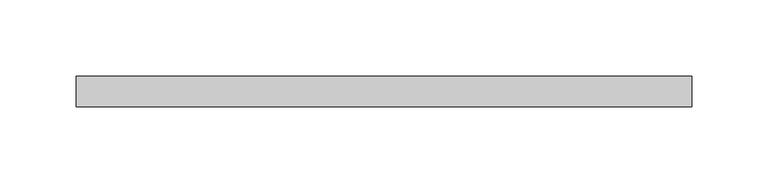
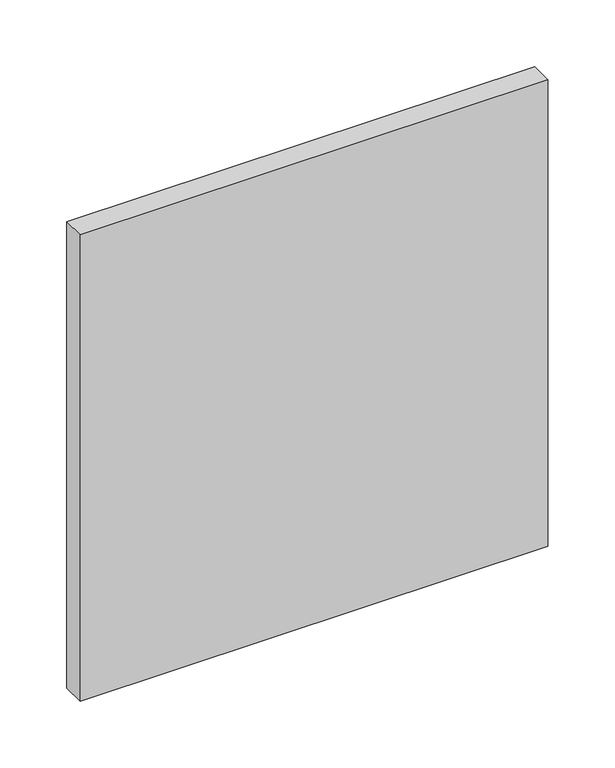
"""IFC4 building model written with IfcOpenShell, lengths in millimetres: plate geometry."""

from ifc_helpers import new_model, si_unit, origin, origin_with_axes, place, context, project, spatial, polyline, outline, extrude, source, transform, mapped, element, save


def plate_87c4c5a0(model_context):
    return source(origin(), model_context, "Body", "SweptSolid", [
        extrude(outline(polyline([(202.3913043, 70.0), (-202.3913043, 70.0), (-202.3913043, 90.0), (202.3913043, 90.0), (202.3913043, 70.0)])), origin_with_axes(), (0.0, 0.0, 1.0), 426.6624409),
    ])


if __name__ == "__main__":
    model = new_model("IFC4")
    model_context = context("Model", 3, world=origin())
    ifc_project = project(units=[si_unit("LENGTHUNIT", "METRE", prefix="MILLI")], contexts=[model_context])
    site = spatial("IfcSite", under=ifc_project)
    building = spatial("IfcBuilding", under=site)
    placement = place(None, origin())
    plate_shape = plate_87c4c5a0(model_context)
    element("IfcPlate", 1, at=placement, inside=building, context=model_context, shape_type="MappedRepresentation", body=[
        mapped(plate_shape, transform((0.0, 0.0, 0.0), x_axis=(1.0, 0.0, 0.0), y_axis=(0.0, 1.0, 0.0), z_axis=(0.0, 0.0, 1.0))),
    ])
    save(model, "model.ifc")
